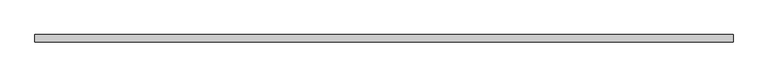
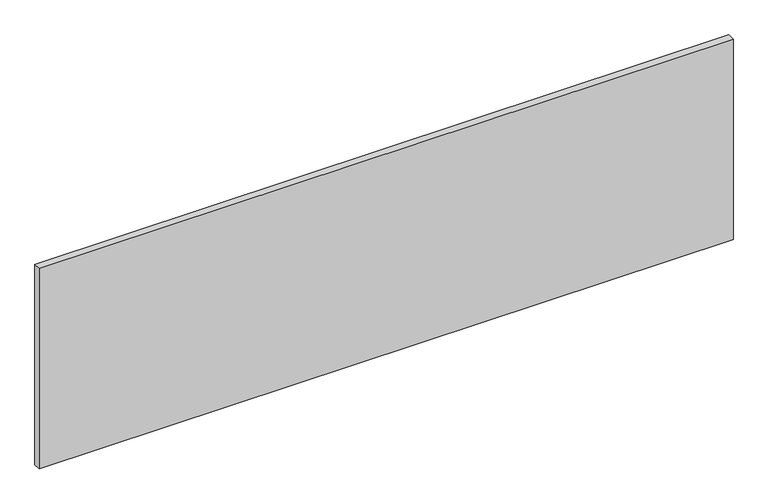
"""IFC4 building model written with IfcOpenShell, lengths in millimetres: furniture geometry."""

from ifc_helpers import new_model, si_unit, frame, origin, place, context, project, spatial, polyline, outline, extrude, source, transform, mapped, element, save


def furniture_ad579c63(model_context):
    return source(origin(), model_context, "Body", "SweptSolid", [
        extrude(outline(polyline([(1828.8, -57.15), (0.0, -57.15), (0.0, -38.1), (1828.8, -38.1), (1828.8, -57.15)])), frame((0.0, 0.0, 1036.1701109), z_axis=(0.0, 0.0, 1.0), x_axis=(1.0, 0.0, 0.0)), (0.0, 0.0, 1.0), 558.8),
    ])


if __name__ == "__main__":
    model = new_model("IFC4")
    model_context = context("Model", 3, world=origin())
    ifc_project = project(units=[si_unit("LENGTHUNIT", "METRE", prefix="MILLI")], contexts=[model_context])
    site = spatial("IfcSite", under=ifc_project)
    building = spatial("IfcBuilding", under=site)
    placement = place(None, origin())
    furniture_shape = furniture_ad579c63(model_context)
    element("IfcFurniture", 1, at=placement, inside=building, context=model_context, shape_type="MappedRepresentation", body=[
        mapped(furniture_shape, transform((0.0, 0.0, 0.0), x_axis=(1.0, 0.0, 0.0), y_axis=(0.0, 1.0, 0.0), z_axis=(0.0, 0.0, 1.0))),
    ])
    save(model, "model.ifc")
